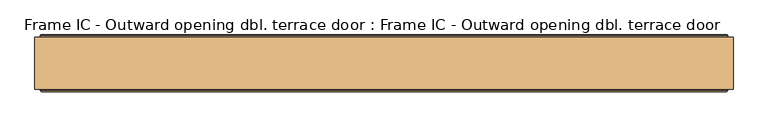
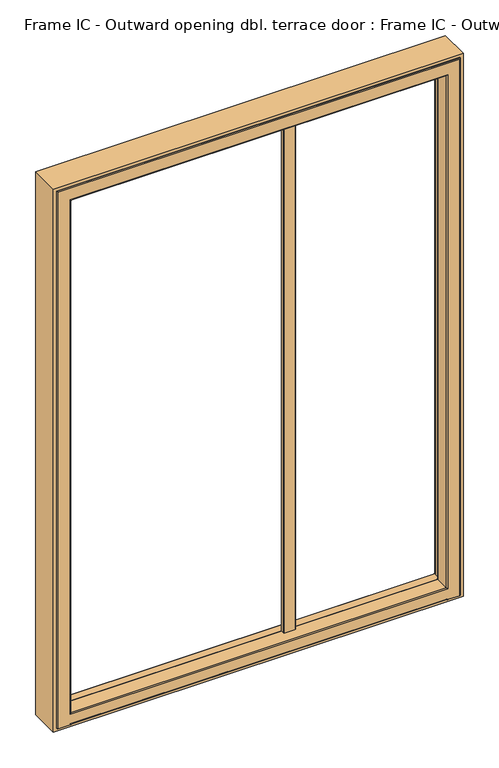
"""IFC4 building model written with IfcOpenShell, lengths in millimetres: door geometry, Frame IC - Outward opening dbl. terrace door : Frame IC - Outward opening dbl. terrace door."""

from ifc_helpers import new_model, si_unit, point, frame, frame_2d, origin, place, context, project, spatial, polyline, circle_curve, ellipse_curve, trimmed, segment, composite_curve, outline, extrude, source, transform, mapped, element, save
from ifc_brep_helpers import plane_surface, cylinder_surface, revolved_surface, advanced_brep


def frame_ic_outward_opening_dbl_terrace_door_frame_ic_outward_68de4d88(model_context):
    return source(origin(), model_context, "Body", "SolidModel", [
        extrude(outline(polyline([(2100.0, -581.484), (0.0, -581.484), (0.0, 918.516), (2100.0, 918.516), (2100.0, -581.484)]), holes=[polyline([(2088.0, 906.516), (12.0, 906.516), (12.0, -569.484), (2088.0, -569.484), (2088.0, 906.516)])]), frame((0.0, 37.0, 0.0), z_axis=(0.0, 1.0, 0.0), x_axis=(0.0, 0.0, 1.0)), (0.0, 0.0, 1.0), 112.0),
        extrude(outline(composite_curve([segment(polyline([(326.5348656, 76.0), (286.5246013, 76.0)]), True, "CONTINUOUS"), segment(trimmed(circle_curve(frame_2d((286.5246013, 77.9897357)), 1.9897356), [point((286.5246013, 76.0))], [point((284.5348656, 77.9897357))], False, "CARTESIAN"), True, "CONTINUOUS"), segment(polyline([(284.5348656, 77.9897357), (284.5348656, 91.0), (328.5348656, 91.0), (328.5348656, 78.0)]), True, "CONTINUOUS"), segment(trimmed(circle_curve(frame_2d((326.5348656, 78.0)), 2.0), [point((328.5348656, 78.0))], [point((326.5348656, 76.0))], False, "CARTESIAN"), True, "CONTINUOUS")], self_intersect=False)), frame((0.0, 0.0, 48.0), z_axis=(0.0, 0.0, 1.0), x_axis=(1.0, 0.0, 0.0)), (0.0, 0.0, 1.0), 1986.5),
        advanced_brep(
        [(881.3017488, 146.453125, 12.0), (882.116, 146.453125, 12.0), (882.116, 153.0, 12.0), (883.116, 154.0, 12.0), (905.516, 154.0, 12.0), (906.516, 153.0, 12.0), (906.516, 35.0, 12.0), (903.516, 32.0, 12.0), (859.516, 32.0, 12.0), (856.516, 35.0, 12.0), (-519.484, 35.0, 12.0), (-522.484, 32.0, 12.0), (-566.484, 32.0, 12.0), (-569.484, 35.0, 12.0), (-569.484, 153.0, 12.0), (-568.484, 154.0, 12.0), (-546.084, 154.0, 12.0), (-545.084, 153.0, 12.0), (-545.084, 146.453125, 12.0), (-544.2697488, 146.453125, 12.0), (-544.2697488, 151.0, 12.0), (881.3017488, 151.0, 12.0), (881.3017488, 146.453125, 31.1912124), (881.3017488, 146.453125, 2062.7857488), (-544.2697488, 146.453125, 2062.7857488), (-544.2697488, 146.453125, 31.1912124), (-545.084, 146.453125, 2063.6), (882.116, 146.453125, 2063.6), (882.116, 153.0, 2063.6), (883.116, 154.0, 2064.6), (-546.084, 154.0, 2064.6), (-568.484, 154.0, 2087.0), (905.516, 154.0, 2087.0), (906.516, 153.0, 2088.0), (906.516, 35.0, 2088.0), (903.516, 32.0, 2085.0), (-566.484, 32.0, 2085.0), (-522.484, 32.0, 15.0), (859.516, 32.0, 15.0), (859.516, 32.0, 2041.0), (859.516, 32.0, 53.0), (-522.484, 32.0, 53.0), (-522.484, 32.0, 2041.0), (856.516, 35.0, 2038.0), (856.516, 35.0, 56.0), (-519.484, 35.0, 2038.0), (-519.484, 35.0, 56.0), (-569.484, 35.0, 2088.0), (-569.484, 153.0, 2088.0), (-545.084, 153.0, 2063.6), (-544.2697488, 151.365608, 30.5880353), (-544.2697488, 154.0, 27.6103969), (-544.2697488, 154.0, 15.0), (881.3017488, 154.0, 15.0), (881.3017488, 154.0, 27.6103969), (881.3017488, 151.365608, 30.5880353), (-536.1338733, 91.0, 2054.6498733), (873.1658733, 91.0, 2054.6498733), (873.1658733, 91.0, 39.3270879), (-536.1338733, 91.0, 39.3270879), (858.016, 91.0, 2039.5), (-520.984, 91.0, 2039.5), (-520.984, 91.0, 54.5), (858.016, 91.0, 54.5), (856.516, 89.5, 2038.0), (856.516, 89.5, 56.0), (-519.484, 89.5, 56.0), (-519.484, 89.5, 2038.0), (874.6546925, 92.317196, 2056.1386925), (874.6546925, 92.317196, 37.8382687), (-537.6226925, 92.317196, 37.8382687), (-537.6226925, 92.317196, 2056.1386925)],
        [
            (0, 1),
            (1, 2),
            (2, 3, circle_curve(frame((883.116, 153.0, 12.0), z_axis=(0.0, 0.0, -1.0), x_axis=(-1.0, 0.0, 0.0)), 1.0)),
            (3, 4),
            (4, 5, circle_curve(frame((905.516, 153.0, 12.0), z_axis=(0.0, 0.0, -1.0), x_axis=(-1.0, 0.0, 0.0)), 1.0)),
            (5, 6),
            (6, 7, circle_curve(frame((903.516, 35.0, 12.0), z_axis=(0.0, 0.0, -1.0), x_axis=(-1.0, 0.0, 0.0)), 3.0)),
            (7, 8),
            (8, 9, circle_curve(frame((859.516, 35.0, 12.0), z_axis=(0.0, 0.0, -1.0), x_axis=(-1.0, 0.0, 0.0)), 3.0)),
            (9, 10),
            (10, 11, circle_curve(frame((-522.484, 35.0, 12.0), z_axis=(0.0, 0.0, -1.0), x_axis=(1.0, 0.0, 0.0)), 3.0)),
            (11, 12),
            (12, 13, circle_curve(frame((-566.484, 35.0, 12.0), z_axis=(0.0, 0.0, -1.0), x_axis=(1.0, 0.0, 0.0)), 3.0)),
            (13, 14),
            (14, 15, circle_curve(frame((-568.484, 153.0, 12.0), z_axis=(0.0, 0.0, -1.0), x_axis=(1.0, 0.0, 0.0)), 1.0)),
            (15, 16),
            (16, 17, circle_curve(frame((-546.084, 153.0, 12.0), z_axis=(0.0, 0.0, -1.0), x_axis=(1.0, 0.0, 0.0)), 1.0)),
            (17, 18),
            (18, 19),
            (19, 20),
            (20, 21),
            (21, 0),
            (0, 22),
            (22, 23),
            (23, 24),
            (24, 25),
            (25, 19),
            (18, 26),
            (26, 27),
            (27, 1),
            (27, 28),
            (28, 2),
            (28, 29, ellipse_curve(frame((883.116, 153.0, 2064.6), z_axis=(0.7071067811865475, 0.0, -0.7071067811865475), x_axis=(-0.7071067811865474, 0.0, -0.7071067811865476)), 1.4142136, 1.0)),
            (29, 3),
            (29, 30),
            (30, 16),
            (15, 31),
            (31, 32),
            (32, 4),
            (32, 33, ellipse_curve(frame((905.516, 153.0, 2087.0), z_axis=(0.7071067811865475, 0.0, -0.7071067811865475), x_axis=(-0.7071067811865474, 0.0, -0.7071067811865476)), 1.4142136, 1.0)),
            (33, 5),
            (33, 34),
            (34, 6),
            (34, 35, ellipse_curve(frame((903.516, 35.0, 2085.0), z_axis=(0.7071067811865475, 0.0, -0.7071067811865475), x_axis=(-0.7071067811865474, 0.0, -0.7071067811865476)), 4.2426407, 3.0)),
            (35, 7),
            (35, 36),
            (36, 12),
            (11, 37),
            (37, 38),
            (38, 8),
            (39, 40),
            (40, 41),
            (41, 42),
            (42, 39),
            (38, 9, ellipse_curve(frame((859.516, 35.0, 15.0), z_axis=(0.7071067811865475, 0.0, -0.7071067811865475), x_axis=(-0.7071067811865474, 0.0, -0.7071067811865476)), 4.2426407, 3.0)),
            (39, 43, ellipse_curve(frame((859.516, 35.0, 2041.0), z_axis=(0.7071067811865475, 0.0, -0.7071067811865475), x_axis=(-0.7071067811865474, 0.0, -0.7071067811865476)), 4.2426407, 3.0)),
            (43, 44),
            (44, 40, ellipse_curve(frame((859.516, 35.0, 53.0), z_axis=(0.7071067811865475, 0.0, 0.7071067811865475), x_axis=(0.7071067811865474, 0.0, -0.7071067811865476)), 4.2426407, 3.0)),
            (37, 10, ellipse_curve(frame((-522.484, 35.0, 15.0), z_axis=(0.7071067811865475, 0.0, 0.7071067811865475), x_axis=(-0.7071067811865476, 0.0, 0.7071067811865474)), 4.2426407, 3.0)),
            (45, 42, ellipse_curve(frame((-522.484, 35.0, 2041.0), z_axis=(-0.7071067811865475, 0.0, -0.7071067811865475), x_axis=(-0.7071067811865474, 0.0, 0.7071067811865476)), 4.2426407, 3.0)),
            (41, 46, ellipse_curve(frame((-522.484, 35.0, 53.0), z_axis=(-0.7071067811865475, 0.0, 0.7071067811865475), x_axis=(0.7071067811865474, 0.0, 0.7071067811865476)), 4.2426407, 3.0)),
            (46, 45),
            (36, 47, ellipse_curve(frame((-566.484, 35.0, 2085.0), z_axis=(-0.7071067811865475, 0.0, -0.7071067811865475), x_axis=(-0.7071067811865474, 0.0, 0.7071067811865476)), 4.2426407, 3.0)),
            (47, 13),
            (47, 48),
            (48, 14),
            (48, 31, ellipse_curve(frame((-568.484, 153.0, 2087.0), z_axis=(-0.7071067811865475, 0.0, -0.7071067811865475), x_axis=(-0.7071067811865474, 0.0, 0.7071067811865476)), 1.4142136, 1.0)),
            (30, 49, ellipse_curve(frame((-546.084, 153.0, 2064.6), z_axis=(-0.7071067811865475, 0.0, -0.7071067811865475), x_axis=(-0.7071067811865474, 0.0, 0.7071067811865476)), 1.4142136, 1.0)),
            (49, 17),
            (49, 26),
            (50, 51, circle_curve(frame((-544.2697488, 151.0, 27.6103969), z_axis=(-1.0, 0.0, 0.0), x_axis=(0.0, -1.0, 0.0)), 3.0)),
            (51, 52),
            (52, 20, circle_curve(frame((-544.2697488, 151.0, 15.0), z_axis=(-1.0, 0.0, 0.0), x_axis=(0.0, -1.0, 0.0)), 3.0)),
            (25, 50),
            (52, 53),
            (53, 21, circle_curve(frame((881.3017488, 151.0, 15.0), z_axis=(-1.0, 0.0, 0.0), x_axis=(0.0, -1.0, 0.0)), 3.0)),
            (53, 54),
            (54, 55, circle_curve(frame((881.3017488, 151.0, 27.6103969), z_axis=(1.0, 0.0, 0.0), x_axis=(0.0, -1.0, 0.0)), 3.0)),
            (55, 22),
            (56, 57),
            (57, 58),
            (58, 59),
            (59, 56),
            (60, 61),
            (61, 62),
            (62, 63),
            (63, 60),
            (64, 60, ellipse_curve(frame((858.016, 89.5, 2039.5), z_axis=(0.7071067811865475, 0.0, -0.7071067811865475), x_axis=(-0.7071067811865474, 0.0, -0.7071067811865476)), 2.1213203, 1.5)),
            (63, 65, ellipse_curve(frame((858.016, 89.5, 54.5), z_axis=(0.7071067811865475, 0.0, 0.7071067811865475), x_axis=(0.7071067811865474, 0.0, -0.7071067811865476)), 2.1213203, 1.5)),
            (65, 64),
            (62, 66, ellipse_curve(frame((-520.984, 89.5, 54.5), z_axis=(0.7071067811865475, 0.0, -0.7071067811865475), x_axis=(-0.7071067811865476, 0.0, -0.7071067811865474)), 2.1213203, 1.5)),
            (66, 65),
            (43, 64),
            (65, 44),
            (61, 67, ellipse_curve(frame((-520.984, 89.5, 2039.5), z_axis=(-0.7071067811865475, 0.0, -0.7071067811865475), x_axis=(-0.7071067811865474, 0.0, 0.7071067811865476)), 2.1213203, 1.5)),
            (67, 66),
            (57, 68, ellipse_curve(frame((873.1658733, 92.5, 2054.6498733), z_axis=(-0.7071067811865475, 0.0, 0.7071067811865475), x_axis=(0.7071067811865474, 0.0, 0.7071067811865476)), 2.1213203, 1.5)),
            (68, 69),
            (69, 58, ellipse_curve(frame((873.1658733, 92.5, 39.3270879), z_axis=(-0.7071067811865475, 0.0, -0.7071067811865475), x_axis=(-0.7071067811865474, 0.0, 0.7071067811865476)), 2.1213203, 1.5)),
            (69, 70),
            (70, 59, ellipse_curve(frame((-536.1338733, 92.5, 39.3270879), z_axis=(-0.7071067811865475, 0.0, 0.7071067811865475), x_axis=(0.7071067811865476, 0.0, 0.7071067811865474)), 2.1213203, 1.5)),
            (71, 56, ellipse_curve(frame((-536.1338733, 92.5, 2054.6498733), z_axis=(0.7071067811865475, 0.0, 0.7071067811865475), x_axis=(0.7071067811865474, 0.0, -0.7071067811865476)), 2.1213203, 1.5)),
            (70, 71),
            (68, 23),
            (22, 69),
            (55, 50),
            (25, 70),
            (24, 71),
            (44, 46),
            (66, 46),
            (67, 45),
            (54, 51),
            (64, 67),
            (71, 68),
            (49, 28),
            (48, 33),
            (47, 34),
            (45, 43),
        ],
        [
            plane_surface(frame((906.516, 204.0, 12.0), z_axis=(0.0, 0.0, -1.0), x_axis=(0.0, -1.0, 0.0))),
            plane_surface(frame((881.3017488, 146.453125, 12.0), z_axis=(0.0, 1.0, 0.0), x_axis=(0.0, 0.0, 1.0))),
            plane_surface(frame((882.116, 146.453125, 12.0), z_axis=(-1.0, 0.0, 0.0), x_axis=(0.0, 0.0, 1.0))),
            cylinder_surface(frame((883.116, 153.0, 12.0), z_axis=(0.0, 0.0, -1.0), x_axis=(-1.0, 0.0, 0.0)), 1.0),
            plane_surface(frame((883.116, 154.0, 12.0), z_axis=(0.0, 1.0, 0.0), x_axis=(0.0, 0.0, 1.0))),
            cylinder_surface(frame((905.516, 153.0, 12.0), z_axis=(0.0, 0.0, -1.0), x_axis=(-1.0, 0.0, 0.0)), 1.0),
            plane_surface(frame((906.516, 153.0, 12.0), z_axis=(1.0, 0.0, 0.0), x_axis=(0.0, 0.0, 1.0))),
            cylinder_surface(frame((903.516, 35.0, 12.0), z_axis=(0.0, 0.0, -1.0), x_axis=(-1.0, 0.0, 0.0)), 3.0),
            plane_surface(frame((903.516, 32.0, 12.0), z_axis=(0.0, -1.0, 0.0), x_axis=(0.0, 0.0, 1.0))),
            cylinder_surface(frame((859.516, 35.0, 12.0), z_axis=(0.0, 0.0, -1.0), x_axis=(-1.0, 0.0, 0.0)), 3.0),
            cylinder_surface(frame((881.3017488, 35.0, 15.0), z_axis=(-1.0, 0.0, 0.0), x_axis=(0.0, -1.0, 0.0)), 3.0),
            cylinder_surface(frame((-522.484, 35.0, 2088.0), z_axis=(0.0, 0.0, 1.0), x_axis=(1.0, 0.0, 0.0)), 3.0),
            cylinder_surface(frame((-566.484, 35.0, 2088.0), z_axis=(0.0, 0.0, 1.0), x_axis=(1.0, 0.0, 0.0)), 3.0),
            plane_surface(frame((-569.484, 153.0, 2088.0), z_axis=(-1.0, 0.0, 0.0), x_axis=(0.0, 0.0, -1.0))),
            cylinder_surface(frame((-568.484, 153.0, 2088.0), z_axis=(0.0, 0.0, 1.0), x_axis=(1.0, 0.0, 0.0)), 1.0),
            cylinder_surface(frame((-546.084, 153.0, 2088.0), z_axis=(0.0, 0.0, 1.0), x_axis=(1.0, 0.0, 0.0)), 1.0),
            plane_surface(frame((-545.084, 146.453125, 2063.6), z_axis=(1.0, 0.0, 0.0), x_axis=(0.0, 0.0, -1.0))),
            plane_surface(frame((-544.2697488, 151.365608, 30.5880353), z_axis=(-1.0, 0.0, 0.0), x_axis=(0.0, 0.9925461516412675, -0.12186934340559166))),
            cylinder_surface(frame((881.3017488, 151.0, 15.0), z_axis=(-1.0, 0.0, 0.0), x_axis=(0.0, -1.0, 0.0)), 3.0),
            plane_surface(frame((881.3017488, 151.365608, 30.5880353), z_axis=(1.0, 0.0, 0.0), x_axis=(0.0, -0.9925461516412675, 0.12186934340559166))),
            plane_surface(frame((858.016, 91.0, 12.0), z_axis=(0.0, 1.0, 0.0), x_axis=(0.0, 0.0, 1.0))),
            cylinder_surface(frame((858.016, 89.5, 12.0), z_axis=(0.0, 0.0, -1.0), x_axis=(-1.0, 0.0, 0.0)), 1.5),
            cylinder_surface(frame((881.3017488, 89.5, 54.5), z_axis=(-1.0, 0.0, 0.0), x_axis=(0.0, -1.0, 0.0)), 1.5),
            plane_surface(frame((856.516, 35.0, 12.0), z_axis=(-1.0, 0.0, 0.0), x_axis=(0.0, 0.0, 1.0))),
            cylinder_surface(frame((-520.984, 89.5, 2088.0), z_axis=(0.0, 0.0, 1.0), x_axis=(1.0, 0.0, 0.0)), 1.5),
            revolved_surface(polyline([(871.6658733, 92.5, 2056.1498732691985), (871.6658733, 92.5, 37.82708793080132)]), (873.1658733, 92.5, 12.0), (0.0, 0.0, 1.0)),
            revolved_surface(polyline([(874.6658732691988, 91.0, 39.3270879), (-537.6338732691986, 91.0, 39.3270879)]), (881.3017488, 92.5, 39.3270879), (1.0, 0.0, 0.0)),
            revolved_surface(polyline([(-534.6338733, 92.5, 37.827087930801554), (-534.6338733, 92.5, 2056.1498732691985)]), (-536.1338733, 92.5, 2088.0), (0.0, 0.0, -1.0)),
            plane_surface(frame((874.6546925, 92.317196, 12.0), z_axis=(-0.9925461516413239, 0.12186934340513325, 0.0), x_axis=(0.0, 0.0, 1.0))),
            plane_surface(frame((-544.2697488, 92.317196, 37.8382687), z_axis=(0.0, 0.12186934340559166, 0.9925461516412675), x_axis=(1.0, 0.0, 0.0))),
            plane_surface(frame((-537.6226925, 92.317196, 2056.1386925), z_axis=(0.9925461516413246, 0.12186934340512683, 0.0), x_axis=(0.0, 0.0, -1.0))),
            cylinder_surface(frame((881.3017488, 35.0, 53.0), z_axis=(-1.0, 0.0, 0.0), x_axis=(0.0, -1.0, 0.0)), 3.0),
            plane_surface(frame((-544.2697488, 35.0, 56.0), z_axis=(0.0, 0.0, 1.0), x_axis=(1.0, 0.0, 0.0))),
            plane_surface(frame((-519.484, 35.0, 2038.0), z_axis=(1.0, 0.0, 0.0), x_axis=(0.0, 0.0, -1.0))),
            cylinder_surface(frame((881.3017488, 151.0, 27.6103969), z_axis=(-1.0, 0.0, 0.0), x_axis=(0.0, -1.0, 0.0)), 3.0),
            plane_surface(frame((-544.2697488, 154.0, 27.6103969), z_axis=(0.0, 1.0, 2.4768410609163974e-12), x_axis=(1.0, 0.0, 0.0))),
            cylinder_surface(frame((906.516, 89.5, 2039.5), z_axis=(1.0, 0.0, 0.0), x_axis=(0.0, 0.0, -1.0)), 1.5),
            revolved_surface(polyline([(-537.6338732691985, 92.5, 2053.1498733), (874.6658732691988, 92.5, 2053.1498733)]), (906.516, 92.5, 2054.6498733), (-1.0, 0.0, 0.0)),
            plane_surface(frame((874.6546925, 92.317196, 2056.1386925), z_axis=(0.0, 0.12186934340513005, -0.9925461516413243), x_axis=(-1.0, 0.0, 0.0))),
            plane_surface(frame((882.116, 146.453125, 2063.6), z_axis=(0.0, 0.0, -1.0), x_axis=(-1.0, 0.0, 0.0))),
            cylinder_surface(frame((906.516, 153.0, 2064.6), z_axis=(1.0, 0.0, 0.0), x_axis=(0.0, 0.0, -1.0)), 1.0),
            cylinder_surface(frame((906.516, 153.0, 2087.0), z_axis=(1.0, 0.0, 0.0), x_axis=(0.0, 0.0, -1.0)), 1.0),
            plane_surface(frame((906.516, 153.0, 2088.0), z_axis=(0.0, 0.0, 1.0), x_axis=(-1.0, 0.0, 0.0))),
            cylinder_surface(frame((906.516, 35.0, 2085.0), z_axis=(1.0, 0.0, 0.0), x_axis=(0.0, 0.0, -1.0)), 3.0),
            cylinder_surface(frame((906.516, 35.0, 2041.0), z_axis=(1.0, 0.0, 0.0), x_axis=(0.0, 0.0, -1.0)), 3.0),
            plane_surface(frame((856.516, 35.0, 2038.0), z_axis=(0.0, 0.0, -1.0), x_axis=(-1.0, 0.0, 0.0))),
        ],
        [
            (0, [[1, 2, 3, 4, 5, 6, 7, 8, 9, 10, 11, 12, 13, 14, 15, 16, 17, 18, 19, 20, 21, 22]]),
            (1, [[-1, 23, 24, 25, 26, 27, -19, 28, 29, 30]]),
            (2, [[-2, -30, 31, 32]]),
            (3, [[-3, -32, 33, 34]]),
            (4, [[-4, -34, 35, 36, -16, 37, 38, 39]]),
            (5, [[-5, -39, 40, 41]]),
            (6, [[-6, -41, 42, 43]]),
            (7, [[-7, -43, 44, 45]]),
            (8, [[-8, -45, 46, 47, -12, 48, 49, 50], [51, 52, 53, 54]]),
            (9, [[-9, -50, 55]]),
            (9, [[56, 57, 58, -51]]),
            (10, [[-10, -55, -49, 59]]),
            (11, [[-11, -59, -48]]),
            (11, [[60, -53, 61, 62]]),
            (12, [[-47, 63, 64, -13]]),
            (13, [[65, 66, -14, -64]]),
            (14, [[-37, -15, -66, 67]]),
            (15, [[-36, 68, 69, -17]]),
            (16, [[-28, -18, -69, 70]]),
            (17, [[71, 72, 73, -20, -27, 74]]),
            (18, [[-73, 75, 76, -21]]),
            (19, [[-76, 77, 78, 79, -23, -22]]),
            (20, [[80, 81, 82, 83], [84, 85, 86, 87]]),
            (21, [[88, -87, 89, 90]]),
            (22, [[-86, 91, 92, -89]]),
            (23, [[93, -90, 94, -57]]),
            (24, [[95, 96, -91, -85]]),
            (25, [[-81, 97, 98, 99]]),
            (26, [[-82, -99, 100, 101]]),
            (27, [[102, -83, -101, 103]]),
            (28, [[104, -24, 105, -98]]),
            (29, [[106, -74, 107, -100, -105, -79]]),
            (30, [[108, -103, -107, -26]]),
            (31, [[-52, -58, 109, -61]]),
            (32, [[-92, 110, -109, -94]]),
            (33, [[111, -62, -110, -96]]),
            (34, [[-71, -106, -78, 112]]),
            (35, [[-72, -112, -77, -75]]),
            (36, [[-88, 113, -95, -84]]),
            (37, [[-80, -102, 114, -97]]),
            (38, [[-104, -114, -108, -25]]),
            (39, [[-29, -70, 115, -31]]),
            (40, [[-33, -115, -68, -35]]),
            (41, [[-38, -67, 116, -40]]),
            (42, [[-42, -116, -65, 117]]),
            (43, [[-44, -117, -63, -46]]),
            (44, [[-54, -60, 118, -56]]),
            (45, [[-93, -118, -111, -113]]),
        ],
    ),
    ])


if __name__ == "__main__":
    model = new_model("IFC4")
    model_context = context("Model", 3, world=origin())
    ifc_project = project(units=[si_unit("LENGTHUNIT", "METRE", prefix="MILLI")], contexts=[model_context])
    site = spatial("IfcSite", under=ifc_project)
    building = spatial("IfcBuilding", under=site)
    placement = place(None, origin())
    frame_ic_outward_opening_dbl_terrace_door_frame_ic_outward_shape = frame_ic_outward_opening_dbl_terrace_door_frame_ic_outward_68de4d88(model_context)
    element("IfcDoor", 1, ObjectType="Frame IC - Outward opening dbl. terrace door : Frame IC - Outward opening dbl. terrace door", at=placement, inside=building, context=model_context, shape_type="MappedRepresentation", body=[
        mapped(frame_ic_outward_opening_dbl_terrace_door_frame_ic_outward_shape, transform((0.0, 0.0, 0.0), x_axis=(1.0, 0.0, 0.0), y_axis=(0.0, 1.0, 0.0), z_axis=(0.0, 0.0, 1.0))),
    ])
    save(model, "model.ifc")
